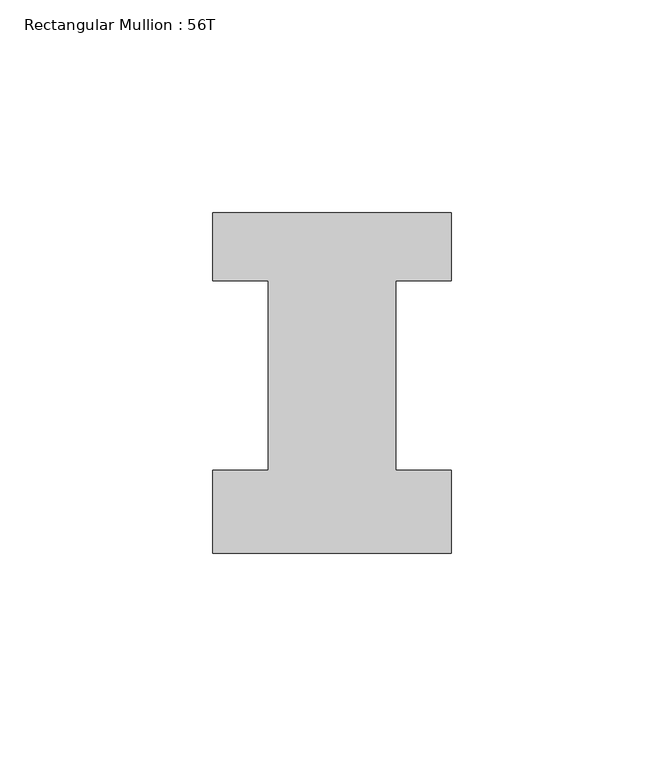
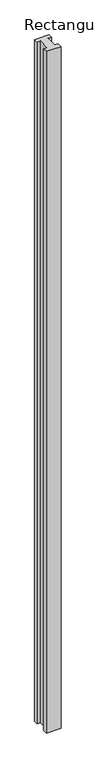
"""IFC4 building model written with IfcOpenShell, lengths in millimetres: member geometry, Rectangular Mullion : 56T."""

from ifc_helpers import new_model, si_unit, frame, origin, place, context, project, spatial, polyline, outline, extrude, source, transform, mapped, element, save


def rectangular_mullion_56t_65be22e2(model_context):
    return source(origin(), model_context, "Body", "SweptSolid", [
        extrude(outline(polyline([(28.0, -20.0), (-28.0, -20.0), (-28.0, -0.5), (-15.0, -0.5), (-15.0, 44.0), (-28.0, 44.0), (-28.0, 60.0), (28.0, 60.0), (28.0, 44.0), (15.0, 44.0), (15.0, -0.5), (28.0, -0.5), (28.0, -20.0)])), frame((0.0, 0.0, -2800.0), z_axis=(0.0, 0.0, 1.0), x_axis=(1.0, 0.0, 0.0)), (0.0, 0.0, 1.0), 2800.0),
    ])


if __name__ == "__main__":
    model = new_model("IFC4")
    model_context = context("Model", 3, world=origin())
    ifc_project = project(units=[si_unit("LENGTHUNIT", "METRE", prefix="MILLI")], contexts=[model_context])
    site = spatial("IfcSite", under=ifc_project)
    building = spatial("IfcBuilding", under=site)
    placement = place(None, origin())
    rectangular_mullion_56t_shape = rectangular_mullion_56t_65be22e2(model_context)
    element("IfcMember", 1, ObjectType="Rectangular Mullion : 56T", at=placement, inside=building, context=model_context, shape_type="MappedRepresentation", body=[
        mapped(rectangular_mullion_56t_shape, transform((0.0, 0.0, 0.0), x_axis=(1.0, 0.0, 0.0), y_axis=(0.0, 1.0, 0.0), z_axis=(0.0, 0.0, 1.0))),
    ])
    save(model, "model.ifc")
